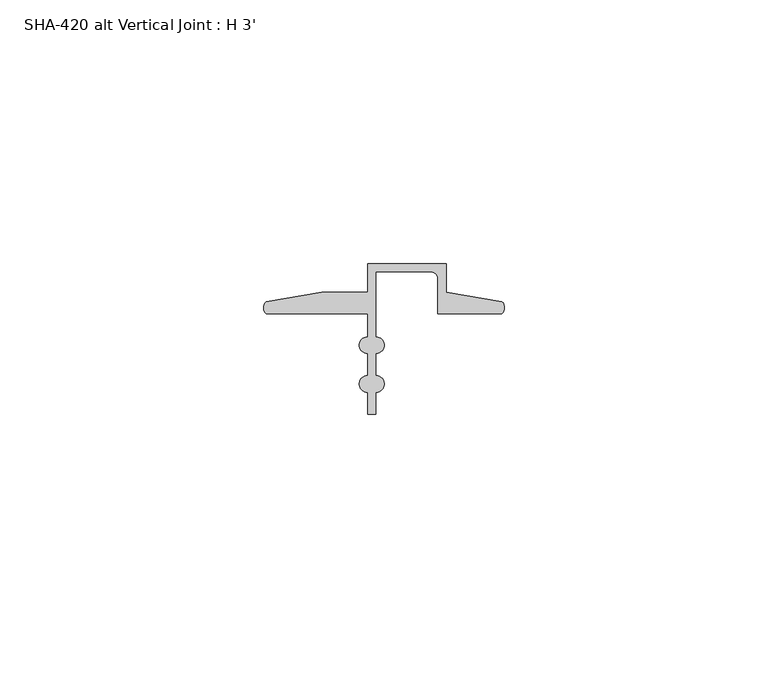
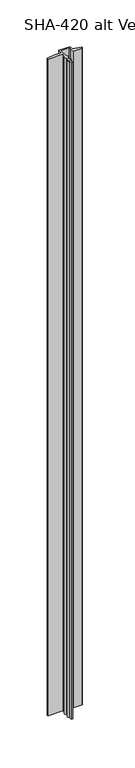
"""IFC4 building model written with IfcOpenShell, lengths in millimetres: proxy geometry, SHA-420 alt Vertical Joint : H 3'."""

from ifc_helpers import new_model, si_unit, point, frame_2d, origin, origin_with_axes, place, context, project, spatial, polyline, circle_curve, trimmed, segment, composite_curve, outline, extrude, source, transform, mapped, element, save


def sha_420_alt_vertical_joint_h_3_1706c062(model_context):
    return source(origin(), model_context, "Body", "SweptSolid", [
        extrude(outline(composite_curve([segment(trimmed(circle_curve(frame_2d((1.6155848, 11.7336765)), 1.6162393), [point((0.5248271, 10.541))], [point((0.4587433, 12.8623692))], False, "CARTESIAN"), True, "CONTINUOUS"), segment(polyline([(0.4587433, 12.8623692), (11.0348302, 14.673343), (19.7299797, 14.673343), (19.7299797, 20.0914), (34.6397797, 20.0914), (34.6397797, 14.698743), (45.2158666, 12.8877692)]), True, "CONTINUOUS"), segment(trimmed(circle_curve(frame_2d((44.0583525, 11.7590956)), 1.6167075), [point((45.2158666, 12.8877692))], [point((45.1497828, 10.5664))], False, "CARTESIAN"), True, "CONTINUOUS"), segment(polyline([(45.1497828, 10.5664), (33.0649797, 10.5664), (33.0649797, 17.2466)]), True, "CONTINUOUS"), segment(trimmed(circle_curve(frame_2d((31.7949797, 17.2466)), 1.27), [point((33.0649797, 17.2466))], [point((31.7949797, 18.5166))], True, "CARTESIAN"), True, "CONTINUOUS"), segment(polyline([(31.7949797, 18.5166), (21.3047797, 18.5166), (21.3047797, 6.1976)]), True, "CONTINUOUS"), segment(trimmed(circle_curve(frame_2d((21.3047797, 4.6228)), 1.5748), [point((21.3047797, 6.1976))], [point((21.3047797, 3.048))], False, "CARTESIAN"), True, "CONTINUOUS"), segment(polyline([(21.3047797, 3.048), (21.3047797, -1.1557)]), True, "CONTINUOUS"), segment(trimmed(circle_curve(frame_2d((21.3047797, -2.7305)), 1.5748), [point((21.3047797, -1.1557))], [point((21.3047797, -4.3053))], False, "CARTESIAN"), True, "CONTINUOUS"), segment(polyline([(21.3047797, -4.3053), (21.3047797, -8.509), (19.7299794, -8.509), (19.7299794, -4.3053)]), True, "CONTINUOUS"), segment(trimmed(circle_curve(frame_2d((19.7299794, -2.7305)), 1.5748), [point((19.7299794, -4.3053))], [point((19.7299794, -1.1557))], False, "CARTESIAN"), True, "CONTINUOUS"), segment(polyline([(19.7299794, -1.1557), (19.7299794, 3.048)]), True, "CONTINUOUS"), segment(trimmed(circle_curve(frame_2d((19.7299794, 4.6228)), 1.5748), [point((19.7299794, 3.048))], [point((19.7299794, 6.1976))], False, "CARTESIAN"), True, "CONTINUOUS"), segment(polyline([(19.7299794, 6.1976), (19.7299794, 10.541), (0.5248271, 10.541)]), True, "CONTINUOUS")], self_intersect=False)), origin_with_axes(), (0.0, 0.0, 1.0), 914.4),
    ])


if __name__ == "__main__":
    model = new_model("IFC4")
    model_context = context("Model", 3, world=origin())
    ifc_project = project(units=[si_unit("LENGTHUNIT", "METRE", prefix="MILLI")], contexts=[model_context])
    site = spatial("IfcSite", under=ifc_project)
    building = spatial("IfcBuilding", under=site)
    placement = place(None, origin())
    sha_420_alt_vertical_joint_h_3_shape = sha_420_alt_vertical_joint_h_3_1706c062(model_context)
    element("IfcBuildingElementProxy", 1, Name="SHA-420 alt Vertical Joint : H 3'", ObjectType="SHA-420 alt Vertical Joint : H 3'", at=placement, inside=building, context=model_context, shape_type="MappedRepresentation", body=[
        mapped(sha_420_alt_vertical_joint_h_3_shape, transform((0.0, 0.0, 0.0), x_axis=(1.0, 0.0, 0.0), y_axis=(0.0, 1.0, 0.0), z_axis=(0.0, 0.0, 1.0))),
    ])
    save(model, "model.ifc")
